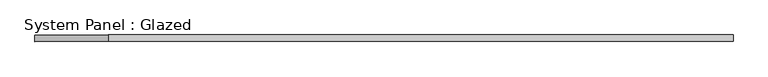
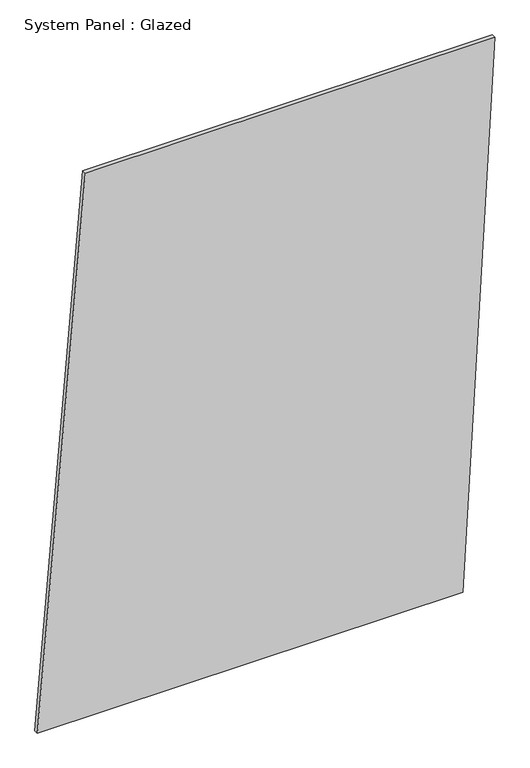
"""IFC4 building model written with IfcOpenShell, lengths in millimetres: plate geometry, System Panel : Glazed."""

from ifc_helpers import new_model, si_unit, frame, origin, place, context, project, spatial, polyline, outline, extrude, source, transform, mapped, element, save


def system_panel_glazed_ceff7549(model_context):
    return source(origin(), model_context, "Body", "SweptSolid", [
        extrude(outline(polyline([(0.0, -1329.6112052), (0.0, 1143.6136873), (3339.9757421, 1329.6112052), (3339.9757421, -1050.6149284), (0.0, -1329.6112052)])), frame((0.0, -49.5, 0.0), z_axis=(0.0, 1.0, 0.0), x_axis=(0.0, 0.0, 1.0)), (0.0, 0.0, 1.0), 25.0),
    ])


if __name__ == "__main__":
    model = new_model("IFC4")
    model_context = context("Model", 3, world=origin())
    ifc_project = project(units=[si_unit("LENGTHUNIT", "METRE", prefix="MILLI")], contexts=[model_context])
    site = spatial("IfcSite", under=ifc_project)
    building = spatial("IfcBuilding", under=site)
    placement = place(None, origin())
    system_panel_glazed_shape = system_panel_glazed_ceff7549(model_context)
    element("IfcPlate", 1, ObjectType="System Panel : Glazed", at=placement, inside=building, context=model_context, shape_type="MappedRepresentation", body=[
        mapped(system_panel_glazed_shape, transform((0.0, 0.0, 0.0), x_axis=(1.0, 0.0, 0.0), y_axis=(0.0, 1.0, 0.0), z_axis=(0.0, 0.0, 1.0))),
    ])
    save(model, "model.ifc")
